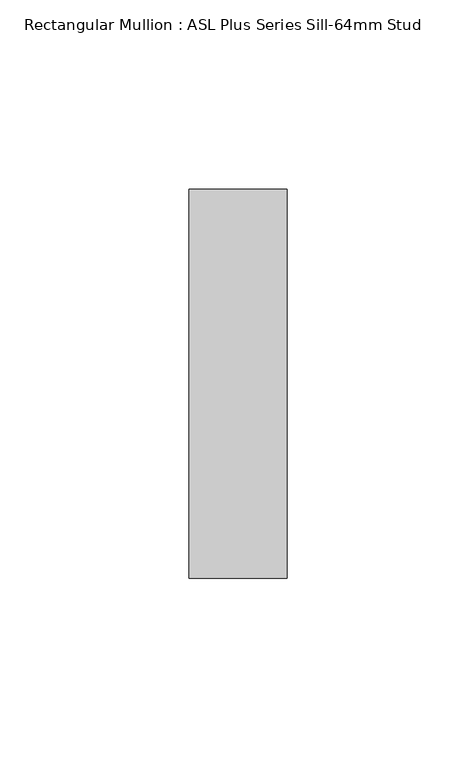
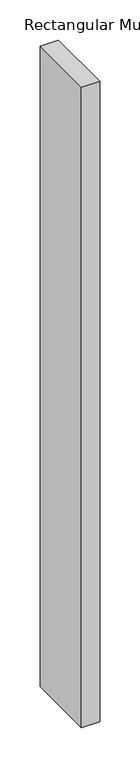
"""IFC4 building model written with IfcOpenShell, lengths in millimetres: member geometry, Rectangular Mullion : ASL Plus Series Sill-64mm Stud."""

from ifc_helpers import new_model, si_unit, frame, origin, place, context, project, spatial, polyline, outline, extrude, source, transform, mapped, element, save


def rectangular_mullion_asl_plus_series_sill_64mm_stud_30df5846(model_context):
    return source(origin(), model_context, "Body", "SweptSolid", [
        extrude(outline(polyline([(-26.0, 51.5), (0.0, 51.5), (0.0, -51.5), (-26.0, -51.5), (-26.0, 51.5)])), frame((0.0, 0.0, -974.0), z_axis=(0.0, 0.0, 1.0), x_axis=(1.0, 0.0, 0.0)), (0.0, 0.0, 1.0), 974.0),
    ])


if __name__ == "__main__":
    model = new_model("IFC4")
    model_context = context("Model", 3, world=origin())
    ifc_project = project(units=[si_unit("LENGTHUNIT", "METRE", prefix="MILLI")], contexts=[model_context])
    site = spatial("IfcSite", under=ifc_project)
    building = spatial("IfcBuilding", under=site)
    placement = place(None, origin())
    rectangular_mullion_asl_plus_series_sill_64mm_stud_shape = rectangular_mullion_asl_plus_series_sill_64mm_stud_30df5846(model_context)
    element("IfcMember", 1, ObjectType="Rectangular Mullion : ASL Plus Series Sill-64mm Stud", at=placement, inside=building, context=model_context, shape_type="MappedRepresentation", body=[
        mapped(rectangular_mullion_asl_plus_series_sill_64mm_stud_shape, transform((0.0, 0.0, 0.0), x_axis=(1.0, 0.0, 0.0), y_axis=(0.0, 1.0, 0.0), z_axis=(0.0, 0.0, 1.0))),
    ])
    save(model, "model.ifc")
